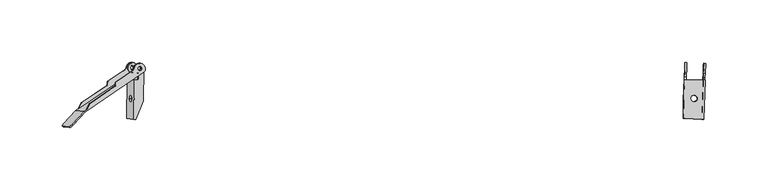
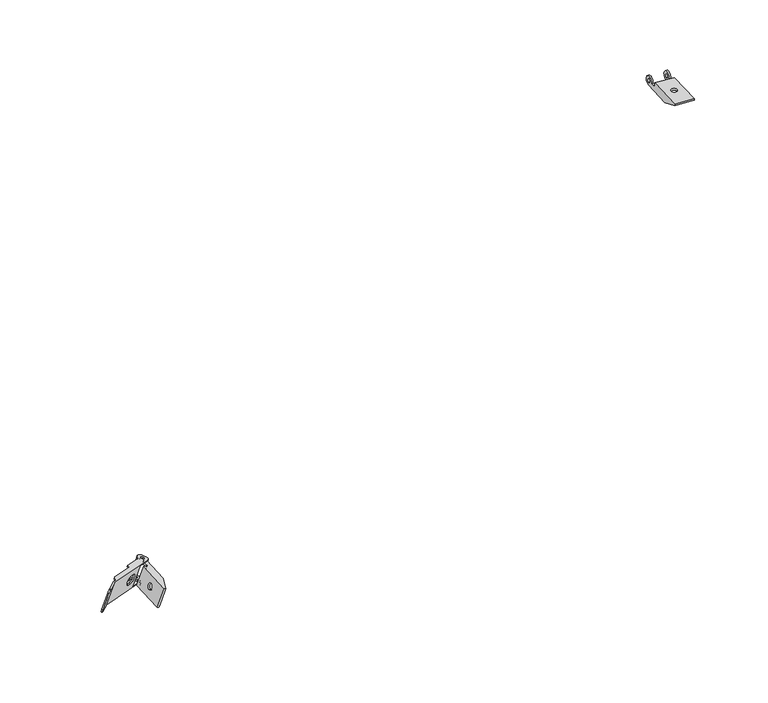
"""IFC4 building model written with IfcOpenShell, lengths in millimetres: proxy geometry."""

from ifc_helpers import new_model, si_unit, frame, origin, place, context, project, spatial, polyline, circle_curve, source, transform, mapped, element, save
from ifc_brep_helpers import plane_surface, cylinder_surface, revolved_surface, advanced_brep


def generic_models_2d8c8c23(model_context):
    return source(origin(), model_context, "Body", "AdvancedBrep", [
        advanced_brep(
        [(20.6310778, 15.0870928, 155.0329895), (19.2211305, 15.0870928, 155.5448963), (19.605429, 46.4893429, 156.6033713), (21.4853587, 46.4893429, 155.9208289), (23.3897486, 48.4880583, 155.3056571), (23.4325538, 51.9858101, 155.4235557), (27.2413336, 55.9832407, 154.1932122), (26.9237297, 30.030818, 153.3184344), (24.8914214, 55.9832407, 155.0463902), (22.0715268, 55.9832407, 156.0702039), (22.5831048, 55.9294855, 157.4792455), (25.4029994, 55.9294855, 156.4554318), (30.5187795, 55.3919336, 170.5458482), (30.0072015, 55.4456888, 169.1368065), (27.1873069, 55.4456888, 170.1606202), (27.6988849, 55.3919336, 171.5696618), (27.4353077, 29.9770628, 154.727476), (27.7529116, 55.9294855, 155.6022538), (23.9441318, 51.9320549, 156.8325974), (23.9013266, 48.4343031, 156.7146987), (21.9969367, 46.4355878, 157.3298705), (21.5269543, 46.4355878, 157.5005061), (21.1426559, 15.0333376, 156.4420311), (26.2584359, 14.4957857, 170.5324474), (25.7468579, 14.5495409, 169.1234058), (32.0395098, 29.4932661, 167.4088507), (32.5510878, 29.4395109, 168.8178924), (24.8484886, 14.4957857, 171.0443543), (26.1311564, 45.951791, 170.1818808), (22.7929743, 31.2929165, 160.9875108), (24.4982343, 31.1137326, 165.6843163), (26.6011388, 45.951791, 170.0112452), (28.5055287, 47.9505063, 169.3960734), (28.5483339, 51.4482581, 169.5139721), (32.3571136, 55.4456888, 168.2836285), (32.8686916, 55.3919336, 169.6926701), (29.0599119, 51.394503, 170.9230137), (29.0171067, 47.8967512, 170.805115), (27.1127168, 45.8980358, 171.4202868), (25.2327871, 45.8980358, 172.1028293), (23.088287, 31.1137326, 166.1962231), (21.383027, 31.2929165, 161.4994176)],
        [
            (0, 1),
            (1, 2),
            (2, 3),
            (3, 4, circle_curve(frame((21.5098189, 48.4880583, 155.9881995), z_axis=(0.3410520035583701, -0.03583679412656442, 0.9393610887489177), x_axis=(0.9399648697402947, 0.0, -0.34127121714863484)), 2.0)),
            (4, 5),
            (5, 6, circle_curve(frame((23.4814741, 55.9832407, 155.558297), z_axis=(-0.3410520035583701, 0.03583679412656442, -0.9393610887489177), x_axis=(-0.9399648697402947, 0.0, 0.34127121714863484)), 4.0)),
            (6, 7),
            (7, 0),
            (8, 9, circle_curve(frame((23.4814741, 55.9832407, 155.558297), z_axis=(0.3410520035583701, -0.03583679412656442, 0.9393610887489177), x_axis=(-0.9399648697402947, 0.0, 0.34127121714863484)), 1.5)),
            (9, 8, circle_curve(frame((23.4814741, 55.9832407, 155.558297), z_axis=(0.3410520035583701, -0.03583679412656442, 0.9393610887489177), x_axis=(-0.9399648697402947, 0.0, 0.34127121714863484)), 1.5)),
            (9, 10),
            (10, 11, circle_curve(frame((23.9930521, 55.9294855, 156.9673387), z_axis=(0.3410520035583701, -0.03583679412656442, 0.9393610887489177), x_axis=(-0.9399648697402947, 0.0, 0.34127121714863484)), 1.5)),
            (11, 8),
            (12, 13),
            (13, 14, circle_curve(frame((28.5972542, 55.4456888, 169.6487134), z_axis=(-0.3410520035583701, 0.03583679412656442, -0.9393610887489177), x_axis=(-0.9399648697402947, 0.0, 0.34127121714863484)), 1.5)),
            (14, 15),
            (15, 12, circle_curve(frame((29.1088322, 55.3919336, 171.057755), z_axis=(0.3410520035583701, -0.03583679412656442, 0.9393610887489177), x_axis=(-0.9399648697402947, 0.0, 0.34127121714863484)), 1.5)),
            (11, 10, circle_curve(frame((23.9930521, 55.9294855, 156.9673387), z_axis=(0.3410520035583701, -0.03583679412656442, 0.9393610887489177), x_axis=(-0.9399648697402947, 0.0, 0.34127121714863484)), 1.5)),
            (14, 13, circle_curve(frame((28.5972542, 55.4456888, 169.6487134), z_axis=(-0.3410520035583701, 0.03583679412656442, -0.9393610887489177), x_axis=(-0.9399648697402947, 0.0, 0.34127121714863484)), 1.5)),
            (12, 15, circle_curve(frame((29.1088322, 55.3919336, 171.057755), z_axis=(0.3410520035583701, -0.03583679412656442, 0.9393610887489177), x_axis=(-0.9399648697402947, 0.0, 0.34127121714863484)), 1.5)),
            (16, 17),
            (17, 18, circle_curve(frame((23.9930521, 55.9294855, 156.9673387), z_axis=(0.3410520035583701, -0.03583679412656442, 0.9393610887489177), x_axis=(-0.9399648697402947, 0.0, 0.34127121714863484)), 4.0)),
            (18, 19),
            (19, 20, circle_curve(frame((22.0213969, 48.4343031, 157.3972411), z_axis=(-0.3410520035583701, 0.03583679412656442, -0.9393610887489177), x_axis=(0.9399648697402947, 0.0, -0.34127121714863484)), 2.0)),
            (20, 21),
            (21, 22),
            (22, 16),
            (7, 16),
            (22, 0),
            (23, 24),
            (24, 25),
            (25, 26),
            (26, 23),
            (23, 27),
            (27, 1),
            (22, 24),
            (21, 28),
            (28, 24),
            (29, 30, circle_curve(frame((23.6456043, 31.2033246, 163.3359135), z_axis=(-0.9399648697402949, 0.0, 0.3412712171486346), x_axis=(0.3410520035583699, -0.0358367941265644, 0.9393610887489177)), 2.5)),
            (30, 29, circle_curve(frame((23.6456043, 31.2033246, 163.3359135), z_axis=(-0.9399648697402949, 0.0, 0.3412712171486346), x_axis=(0.3410520035583699, -0.0358367941265644, 0.9393610887489177)), 2.5)),
            (28, 31),
            (31, 32, circle_curve(frame((26.6255989, 47.9505063, 170.0786158), z_axis=(0.3410520035583701, -0.03583679412656442, 0.9393610887489177), x_axis=(0.9399648697402947, 0.0, -0.34127121714863484)), 2.0)),
            (32, 33),
            (33, 34, circle_curve(frame((28.5972542, 55.4456888, 169.6487134), z_axis=(-0.3410520035583701, 0.03583679412656442, -0.9393610887489177), x_axis=(-0.9399648697402947, 0.0, 0.34127121714863484)), 4.0)),
            (34, 25),
            (34, 35),
            (35, 26),
            (35, 36, circle_curve(frame((29.1088322, 55.3919336, 171.057755), z_axis=(0.3410520035583701, -0.03583679412656442, 0.9393610887489177), x_axis=(-0.9399648697402947, 0.0, 0.34127121714863484)), 4.0)),
            (36, 37),
            (37, 38, circle_curve(frame((27.1371769, 47.8967512, 171.4876575), z_axis=(-0.3410520035583701, 0.03583679412656442, -0.9393610887489177), x_axis=(0.9399648697402947, 0.0, -0.34127121714863484)), 2.0)),
            (38, 39),
            (39, 27),
            (39, 2),
            (40, 41, circle_curve(frame((22.235657, 31.2033246, 163.8478204), z_axis=(0.9399648697402949, 0.0, -0.3412712171486346), x_axis=(0.3410520035583699, -0.0358367941265644, 0.9393610887489177)), 2.5)),
            (41, 40, circle_curve(frame((22.235657, 31.2033246, 163.8478204), z_axis=(0.9399648697402949, 0.0, -0.3412712171486346), x_axis=(0.3410520035583699, -0.0358367941265644, 0.9393610887489177)), 2.5)),
            (38, 31),
            (20, 3),
            (19, 4),
            (18, 5),
            (36, 33),
            (32, 37),
            (17, 6),
            (30, 40),
            (41, 29),
        ],
        [
            plane_surface(frame((17.1332162, 36.4957664, 157.1196961), z_axis=(-0.3410520035583702, 0.035836794126564424, -0.9393610887489177), x_axis=(-0.9399648697402948, 0.0, 0.3412712171486349))),
            revolved_surface(polyline([(22.583104846742636, 55.929485511401595, 157.47924550751327), (22.071526820492924, 55.983240704788834, 156.07020381679143)]), (29.1088322, 55.3919336, 171.057755), (0.34105200355837006, -0.03583679412656441, 0.9393610887489174)),
            revolved_surface(polyline([(27.69888490309418, 55.39193359919042, 171.5696618469438), (27.187306876844463, 55.44568879257766, 170.16062015622197)]), (29.1088322, 55.3919336, 171.057755), (0.34105200355837006, -0.03583679412656441, 0.9393610887489174)),
            plane_surface(frame((17.6447942, 36.4420112, 158.5287377), z_axis=(0.3410520035583702, -0.035836794126564424, 0.9393610887489177), x_axis=(-0.9399648697402948, 0.0, 0.3412712171486349))),
            plane_surface(frame((32.5510878, 29.4395109, 168.8178924), z_axis=(0.8571686231969299, -0.39839535087401956, -0.32640939908134814), x_axis=(-0.3859345569853799, -0.916513430664656, 0.10515535714266519))),
            plane_surface(frame((33.5145561, 13.3382573, 202.2388955), z_axis=(-0.012230066350277211, -0.9993576557903234, -0.03368532752308605), x_axis=(-0.34105200355836995, 0.03583679412656441, -0.9393610887489177))),
            plane_surface(frame((20.8930756, 36.4957664, 155.7546112), z_axis=(0.9399648697402949, 0.0, -0.3412712171486349), x_axis=(0.0122300663502772, 0.9993576557903233, 0.03368532752308601))),
            plane_surface(frame((22.2489962, 35.9582145, 171.2101124), z_axis=(-0.3410520035583702, 0.035836794126564424, -0.9393610887489177), x_axis=(-0.9399648697402948, 0.0, 0.3412712171486349))),
            plane_surface(frame((32.7219308, 43.3996417, 169.2884462), z_axis=(0.9399648697402949, 0.0, -0.3412712171486349), x_axis=(0.0122300663502772, 0.9993576557903233, 0.03368532752308601))),
            plane_surface(frame((22.7605742, 35.9044593, 172.619154), z_axis=(0.3410520035583702, -0.035836794126564424, 0.9393610887489177), x_axis=(-0.9399648697402948, 0.0, 0.3412712171486349))),
            plane_surface(frame((19.7705349, 59.9806713, 157.0581232), z_axis=(-0.9399648697402949, 0.0, 0.3412712171486349), x_axis=(-0.0122300663502772, -0.9993576557903233, -0.03368532752308601))),
            plane_surface(frame((20.117007, 46.4355878, 158.0124129), z_axis=(0.012230066350277211, 0.9993576557903234, 0.03368532752308605), x_axis=(0.34105200355836995, -0.03583679412656441, 0.9393610887489177))),
            revolved_surface(polyline([(23.389748563162858, 48.48805822724703, 155.30565709063575), (23.9013265670411, 48.43430303621053, 156.71469871973972)]), (48.9283536, 45.606995, 231.5071949), (-0.34105200355837006, 0.03583679412656441, -0.9393610887489174)),
            plane_surface(frame((28.9926465, 45.8980358, 170.7377444), z_axis=(-0.9399648697402949, 0.0, 0.3412712171486349), x_axis=(0.0122300663502772, 0.9993576557903233, 0.03368532752308601))),
            cylinder_surface(frame((50.9000089, 53.1021774, 231.0772924), z_axis=(-0.34105200355837006, 0.03583679412656441, -0.9393610887489174), x_axis=(-0.9399648697402947, 0.0, 0.34127121714863484)), 4.0),
            plane_surface(frame((27.0945728, 43.9909488, 153.7889882), z_axis=(0.9399648697402949, 0.0, -0.3412712171486349), x_axis=(0.0122300663502772, 0.9993576557903233, 0.03368532752308601))),
            revolved_surface(polyline([(28.505528601400353, 47.95050631693923, 169.3960733801747), (29.017106626427857, 47.89675112368042, 170.80511506753018)]), (48.9283536, 45.606995, 231.5071949), (-0.34105200355837006, 0.03583679412656441, -0.9393610887489174)),
            revolved_surface(polyline([(23.088286992713783, 31.113732614683588, 166.19622307993154), (24.49823431876474, 31.113732614683588, 165.68431624642423)]), (24.5855692, 31.2033246, 162.9946423), (-0.9399648697402949, 0.0, 0.3412712171486346)),
        ],
        [
            (0, [[1, 2, 3, 4, 5, 6, 7, 8], [9, 10]]),
            (1, [[11, 12, 13, -10]]),
            (2, [[14, 15, 16, 17]]),
            (1, [[-13, 18, -11, -9]]),
            (2, [[-16, 19, -14, 20]]),
            (3, [[21, 22, 23, 24, 25, 26, 27], [-18, -12]]),
            (4, [[28, -27, 29, -8]]),
            (4, [[30, 31, 32, 33]]),
            (5, [[34, 35, -1, -29, 36, -30]]),
            (6, [[-26, 37, 38, -36], [39, 40]]),
            (7, [[-38, 41, 42, 43, 44, 45, -31], [-19, -15]]),
            (8, [[-45, 46, 47, -32]]),
            (9, [[-47, 48, 49, 50, 51, 52, -34, -33], [-20, -17]]),
            (10, [[53, -2, -35, -52], [54, 55]]),
            (11, [[-53, -51, 56, -41, -37, -25, 57, -3]]),
            (12, [[-4, -57, -24, 58]]),
            (13, [[-58, -23, 59, -5]]),
            (13, [[60, -43, 61, -49]]),
            (14, [[-59, -22, 62, -6]]),
            (14, [[-46, -44, -60, -48]]),
            (15, [[-7, -62, -21, -28]]),
            (16, [[-42, -56, -50, -61]]),
            (17, [[63, -55, 64, -40]]),
            (17, [[-64, -54, -63, -39]]),
        ],
    ),
        advanced_brep(
        [(-17.0287162, 27.9509873, 167.3338492), (3.2148071, 41.8108396, 160.5128284), (3.6508245, 42.7324406, 160.3896836), (3.5495718, 44.2528311, 160.4844484), (3.9855893, 45.1744321, 160.3613037), (17.8188992, 54.6454926, 155.7001934), (19.2986145, 57.8685775, 155.2859173), (26.2633059, 58.3591841, 152.7759771), (26.8904116, 57.3115193, 152.5083264), (26.0105198, 53.1642562, 152.6695682), (-20.8934089, 21.051194, 168.4737673), (-30.4245316, 10.6111072, 171.5359223), (-31.1179865, 11.3260329, 171.8149682), (-21.6065629, 21.7445421, 168.7591421), (-19.5668075, 23.141073, 168.07185), (-17.3562532, 27.5720896, 167.4383124), (21.6921603, 55.2295213, 154.3162168), (24.0771059, 56.8623888, 153.5126135), (24.4181579, 56.8265521, 154.4519745), (22.0332123, 55.1936845, 155.2555779), (28.5132004, 54.5127854, 173.1034386), (28.1721484, 54.5486222, 172.1640775), (30.5570939, 56.1814898, 171.3604741), (30.8981459, 56.145653, 172.2998352), (-17.0152012, 27.5362528, 168.3776735), (-19.2257555, 23.1052362, 169.0112111), (15.5151233, 46.8907918, 157.305331), (16.0168078, 46.0526599, 157.0912104), (26.3515718, 53.1284194, 153.6089293), (27.2314636, 57.2756825, 153.4476875), (26.6043579, 58.3233473, 153.7153381), (19.6396665, 57.8327407, 156.2252784), (18.1599513, 54.6096558, 156.6395545), (4.3266413, 45.1385953, 161.3006648), (3.8906238, 44.2169943, 161.4238095), (3.9918765, 42.6966038, 161.3290447), (3.5558591, 41.7750028, 161.4521895), (-16.6876642, 27.9151505, 168.2732103), (-10.2076762, 27.2342514, 186.121071), (10.0358472, 41.0941037, 179.3000502), (9.6947952, 41.1299405, 178.3606891), (-10.5487282, 27.2700882, 185.1817099), (-10.8762652, 26.8911905, 185.2861731), (-10.5352132, 26.8553537, 186.2255342), (10.1308126, 42.0515415, 178.2375443), (10.0295599, 43.571932, 178.3323091), (10.4655773, 44.493533, 178.2091644), (24.2988873, 53.9645935, 173.5480541), (25.7786026, 57.1876784, 173.133778), (32.743294, 57.678285, 170.6238377), (33.3703997, 56.6306202, 170.3561871), (32.4905079, 52.4833571, 170.5174289), (22.1557439, 45.4075976, 173.99971), (21.6540593, 46.2457295, 174.2138306), (-13.0868195, 22.4601739, 185.9197107), (-12.7457675, 22.4243371, 186.8590717), (-14.7855228, 21.0278062, 187.5463638), (-24.2969465, 10.609297, 190.6021899), (-23.6034915, 9.8943713, 190.323144), (-14.0723689, 20.3344581, 187.2609891), (32.8315599, 52.4475203, 171.45679), (33.7114517, 56.5947834, 171.2955482), (33.084346, 57.6424482, 171.5631988), (26.1196546, 57.1518416, 174.0731391), (24.6399393, 53.9287567, 174.4874151), (10.8066293, 44.4576962, 179.1485254), (10.3706119, 43.5360952, 179.2716702), (10.4718646, 42.0157047, 179.1769054), (11.3622131, 41.5191624, 163.9309581), (8.1822858, 39.3420057, 165.0024293), (10.9107018, 39.0553113, 172.517318), (14.0906291, 41.2324681, 171.4458468), (13.5889446, 42.0705999, 171.6599674), (10.4090172, 39.8934432, 172.7314385), (7.6806012, 40.1801375, 165.2165498), (10.8605286, 42.3572943, 164.1450787), (-32.071661, 9.0531657, 175.2681667), (-27.2969329, 8.5514506, 188.4192219), (-26.6034779, 7.8365249, 188.140176), (-31.378206, 8.33824, 174.9891208)],
        [
            (0, 1),
            (1, 2, circle_curve(frame((2.7131225, 42.6489714, 160.7269489), z_axis=(0.34105200355836995, -0.035836794126564486, 0.9393610887489177), x_axis=(0.5016845629113799, -0.8381318527622796, -0.2141205191514495)), 1.0)),
            (2, 3),
            (3, 4, circle_curve(frame((4.4872738, 44.3363003, 160.1471831), z_axis=(-0.3410520035583702, 0.03583679412656437, -0.9393610887489177), x_axis=(-0.9377019951822664, -0.08346916705760438, 0.3372652759800607)), 1.0)),
            (4, 5),
            (5, 6),
            (6, 7, circle_curve(frame((22.8846331, 56.0459551, 153.9144151), z_axis=(-0.3410520035583701, 0.03583679412656431, -0.9393610887489175), x_axis=(-0.7949818426890243, -0.5442891892845219, 0.26786778123313304)), 4.25)),
            (7, 8),
            (8, 9, circle_curve(frame((24.5054661, 55.6786517, 153.3119298), z_axis=(-0.3410520035583701, 0.0358367941265643, -0.9393610887489177), x_axis=(0.7949818426890242, 0.5442891892845217, -0.26786778123313304)), 3.0)),
            (9, 10),
            (10, 11),
            (11, 12),
            (12, 13),
            (13, 14),
            (14, 15),
            (15, 0, circle_curve(frame((-16.5270317, 27.1128554, 167.1197287), z_axis=(-0.3410520035583701, 0.035836794126564514, -0.9393610887489177), x_axis=(-0.8292215695583074, 0.45923414199125345, 0.31858372747021235)), 1.0)),
            (16, 17, circle_curve(frame((22.8846331, 56.0459551, 153.9144151), z_axis=(0.3410520035583701, -0.0358367941265643, 0.9393610887489177), x_axis=(-0.7949818426890242, -0.5442891892845217, 0.26786778123313304)), 1.5)),
            (17, 16, circle_curve(frame((22.8846331, 56.0459551, 153.9144151), z_axis=(0.3410520035583701, -0.0358367941265643, 0.9393610887489177), x_axis=(-0.7949818426890242, -0.5442891892845217, 0.26786778123313304)), 1.5)),
            (17, 18),
            (18, 19, circle_curve(frame((23.2256851, 56.0101183, 154.8537762), z_axis=(0.3410520035583701, -0.0358367941265643, 0.9393610887489177), x_axis=(-0.7949818426890242, -0.5442891892845217, 0.26786778123313304)), 1.5)),
            (19, 16),
            (20, 21),
            (21, 22, circle_curve(frame((29.3646212, 55.365056, 171.7622758), z_axis=(-0.3410520035583701, 0.0358367941265643, -0.9393610887489177), x_axis=(-0.7949818426890242, -0.5442891892845217, 0.26786778123313304)), 1.5)),
            (22, 23),
            (23, 20, circle_curve(frame((29.7056732, 55.3292192, 172.7016369), z_axis=(0.3410520035583701, -0.0358367941265643, 0.9393610887489177), x_axis=(-0.7949818426890242, -0.5442891892845217, 0.26786778123313304)), 1.5)),
            (19, 18, circle_curve(frame((23.2256851, 56.0101183, 154.8537762), z_axis=(0.3410520035583701, -0.0358367941265643, 0.9393610887489177), x_axis=(-0.7949818426890242, -0.5442891892845217, 0.26786778123313304)), 1.5)),
            (22, 21, circle_curve(frame((29.3646212, 55.365056, 171.7622758), z_axis=(-0.3410520035583701, 0.0358367941265643, -0.9393610887489177), x_axis=(-0.7949818426890242, -0.5442891892845217, 0.26786778123313304)), 1.5)),
            (20, 23, circle_curve(frame((29.7056732, 55.3292192, 172.7016369), z_axis=(0.3410520035583701, -0.0358367941265643, 0.9393610887489177), x_axis=(-0.7949818426890242, -0.5442891892845217, 0.26786778123313304)), 1.5)),
            (24, 25),
            (25, 26),
            (26, 27),
            (27, 28),
            (28, 29, circle_curve(frame((24.8465181, 55.6428149, 154.2512908), z_axis=(0.3410520035583701, -0.0358367941265643, 0.9393610887489177), x_axis=(0.7949818426890242, 0.5442891892845217, -0.26786778123313304)), 3.0)),
            (29, 30),
            (30, 31, circle_curve(frame((23.2256851, 56.0101183, 154.8537762), z_axis=(0.3410520035583701, -0.03583679412656431, 0.9393610887489175), x_axis=(-0.7949818426890243, -0.5442891892845219, 0.26786778123313304)), 4.25)),
            (31, 32),
            (32, 33),
            (33, 34, circle_curve(frame((4.8283258, 44.3004635, 161.0865442), z_axis=(0.3410520035583702, -0.03583679412656437, 0.9393610887489177), x_axis=(-0.9377019951822664, -0.08346916705760438, 0.3372652759800607)), 1.0)),
            (34, 35),
            (35, 36, circle_curve(frame((3.0541745, 42.6131346, 161.66631), z_axis=(-0.34105200355836995, 0.035836794126564486, -0.9393610887489177), x_axis=(0.5016845629113799, -0.8381318527622796, -0.2141205191514495)), 1.0)),
            (36, 37),
            (37, 24, circle_curve(frame((-16.1859797, 27.0770186, 168.0590898), z_axis=(0.3410520035583701, -0.035836794126564514, 0.9393610887489177), x_axis=(-0.8292215695583074, 0.45923414199125345, 0.31858372747021235)), 1.0)),
            (15, 24),
            (37, 0),
            (38, 39),
            (39, 40),
            (40, 41),
            (41, 38),
            (36, 1),
            (42, 43),
            (43, 38, circle_curve(frame((-9.7059916, 26.3961196, 185.9069504), z_axis=(-0.3410520035583701, 0.035836794126564514, -0.9393610887489177), x_axis=(-0.8292215695583074, 0.45923414199125345, 0.31858372747021235)), 1.0)),
            (41, 42, circle_curve(frame((-10.0470436, 26.4319563, 184.9675893), z_axis=(0.3410520035583701, -0.035836794126564514, 0.9393610887489177), x_axis=(-0.8292215695583074, 0.45923414199125345, 0.31858372747021235)), 1.0)),
            (40, 44, circle_curve(frame((9.1931106, 41.9680723, 178.5748096), z_axis=(0.34105200355836995, -0.035836794126564486, 0.9393610887489177), x_axis=(0.5016845629113799, -0.8381318527622796, -0.2141205191514495)), 1.0)),
            (44, 45),
            (45, 46, circle_curve(frame((10.9672619, 43.6554012, 177.9950438), z_axis=(-0.3410520035583702, 0.03583679412656437, -0.9393610887489177), x_axis=(-0.9377019951822664, -0.08346916705760438, 0.3372652759800607)), 1.0)),
            (46, 47),
            (47, 48),
            (48, 49, circle_curve(frame((29.3646212, 55.365056, 171.7622758), z_axis=(-0.3410520035583701, 0.03583679412656431, -0.9393610887489175), x_axis=(-0.7949818426890243, -0.5442891892845219, 0.26786778123313304)), 4.25)),
            (49, 50),
            (50, 51, circle_curve(frame((30.9854542, 54.9977526, 171.1597904), z_axis=(-0.3410520035583701, 0.0358367941265643, -0.9393610887489177), x_axis=(0.7949818426890242, 0.5442891892845217, -0.26786778123313304)), 3.0)),
            (51, 52),
            (52, 53),
            (53, 54),
            (54, 42),
            (54, 55),
            (55, 43),
            (14, 25),
            (55, 56),
            (56, 57),
            (57, 58),
            (58, 59),
            (59, 60),
            (60, 61, circle_curve(frame((31.3265062, 54.9619159, 172.0991515), z_axis=(0.3410520035583701, -0.0358367941265643, 0.9393610887489177), x_axis=(0.7949818426890242, 0.5442891892845217, -0.26786778123313304)), 3.0)),
            (61, 62),
            (62, 63, circle_curve(frame((29.7056732, 55.3292192, 172.7016369), z_axis=(0.3410520035583701, -0.03583679412656431, 0.9393610887489175), x_axis=(-0.7949818426890243, -0.5442891892845219, 0.26786778123313304)), 4.25)),
            (63, 64),
            (64, 65),
            (65, 66, circle_curve(frame((11.3083139, 43.6195644, 178.9344049), z_axis=(0.3410520035583702, -0.03583679412656437, 0.9393610887489177), x_axis=(-0.9377019951822664, -0.08346916705760438, 0.3372652759800607)), 1.0)),
            (66, 67),
            (67, 39, circle_curve(frame((9.5341626, 41.9322355, 179.5141707), z_axis=(-0.34105200355836995, 0.035836794126564486, -0.9393610887489177), x_axis=(0.5016845629113799, -0.8381318527622796, -0.2141205191514495)), 1.0)),
            (67, 44),
            (66, 45),
            (2, 35),
            (34, 3),
            (65, 46),
            (64, 47),
            (32, 5),
            (4, 33),
            (31, 6),
            (63, 48),
            (30, 7),
            (62, 49),
            (61, 50),
            (29, 8),
            (60, 51),
            (59, 10),
            (9, 28),
            (27, 52),
            (68, 69),
            (69, 70, circle_curve(frame((9.5464938, 39.1986585, 168.7598736), z_axis=(-0.5016845629113826, 0.8381318527622779, 0.21412051915145044), x_axis=(-0.7949818426890242, -0.5442891892845216, 0.267867781233133)), 4.0)),
            (70, 71),
            (71, 68, circle_curve(frame((12.7264211, 41.3758153, 167.6884025), z_axis=(-0.5016845629113826, 0.8381318527622778, 0.2141205191514505), x_axis=(0.7949818426890242, 0.5442891892845217, -0.2678677812331331)), 4.0)),
            (26, 53),
            (13, 56),
            (72, 73),
            (73, 74, circle_curve(frame((9.0448092, 40.0367904, 168.9739941), z_axis=(0.5016845629113826, -0.8381318527622779, -0.21412051915145044), x_axis=(-0.7949818426890242, -0.5442891892845216, 0.267867781233133)), 4.0)),
            (74, 75),
            (75, 72, circle_curve(frame((12.2247366, 42.2139471, 167.902523), z_axis=(0.5016845629113826, -0.8381318527622778, -0.2141205191514505), x_axis=(0.7949818426890242, 0.5442891892845217, -0.2678677812331331)), 4.0)),
            (12, 76, circle_curve(frame((-30.0948305, 11.2185225, 174.6330514), z_axis=(-0.6704304781992656, 0.6911883015382875, 0.26978084757469667), x_axis=(-0.34105200355836984, 0.03583679412656441, -0.9393610887489177)), 3.0)),
            (76, 77),
            (77, 57, circle_curve(frame((-25.3201025, 10.7168074, 187.7841067), z_axis=(-0.6704304781992656, 0.6911883015382875, 0.26978084757469667), x_axis=(0.34105200355836984, -0.03583679412656441, 0.9393610887489177)), 3.0)),
            (77, 78),
            (78, 58, circle_curve(frame((-24.6266475, 10.0018817, 187.5050608), z_axis=(-0.6704304781992656, 0.6911883015382875, 0.26978084757469667), x_axis=(0.34105200355836984, -0.03583679412656441, 0.9393610887489177)), 3.0)),
            (78, 79),
            (79, 11, circle_curve(frame((-29.4013756, 10.5035968, 174.3540055), z_axis=(0.6704304781992656, -0.6911883015382875, -0.26978084757469667), x_axis=(-0.34105200355836984, 0.03583679412656441, -0.9393610887489177)), 3.0)),
            (79, 76),
            (75, 68),
            (71, 72),
            (70, 73),
            (69, 74),
        ],
        [
            plane_surface(frame((-8.5711904, 29.4876764, 164.3218167), z_axis=(-0.3410520035583701, 0.035836794126564264, -0.9393610887489177), x_axis=(-0.7949818426890243, -0.5442891892845217, 0.26786778123313304))),
            revolved_surface(polyline([(21.692160335966463, 55.22952131607322, 154.31621677184972), (22.033212347818733, 55.193684521075156, 155.25557788344256)]), (22.8846331, 56.0459551, 153.9144151), (-0.34105200355837006, 0.03583679412656429, -0.9393610887489174)),
            revolved_surface(polyline([(28.17214839523336, 54.548622228545064, 172.16407743510237), (28.51320042374878, 54.51278543179608, 173.1034385925906)]), (22.8846331, 56.0459551, 153.9144151), (-0.34105200355837006, 0.03583679412656429, -0.9393610887489174)),
            plane_surface(frame((32.8744616, 69.3810504, 151.8607172), z_axis=(0.34105200355836995, -0.03583679412656446, 0.9393610887489175), x_axis=(0.5016845629113826, -0.8381318527622776, -0.21412051915145042))),
            cylinder_surface(frame((-0.8140838, 25.4617827, 210.3979727), z_axis=(-0.3410520035583701, 0.035836794126564514, -0.9393610887489177), x_axis=(-0.8292215695583074, 0.45923414199125345, 0.31858372747021235)), 1.0),
            plane_surface(frame((3.6905099, 42.1365324, 160.3525411), z_axis=(-0.5016845629113826, 0.8381318527622778, 0.21412051915145044), x_axis=(-0.7949818426890243, -0.5442891892845217, 0.26786778123313304))),
            plane_surface(frame((43.51606, 61.2136822, 166.8474666), z_axis=(-0.34105200355836995, 0.03583679412656446, -0.9393610887489175), x_axis=(-0.5016845629113826, 0.8381318527622776, 0.21412051915145042))),
            plane_surface(frame((-17.2390806, 27.80696, 167.4047311), z_axis=(-0.8292215695583078, 0.4592341419912529, 0.31858372747021246), x_axis=(-0.4428037030650017, -0.8875920949491879, 0.12690608155495817))),
            plane_surface(frame((-1.7501503, 28.7709406, 183.1090385), z_axis=(0.3410520035583701, -0.035836794126564264, 0.9393610887489177), x_axis=(-0.7949818426890243, -0.5442891892845217, 0.26786778123313304))),
            revolved_surface(polyline([(10.03584718612856, 41.09410366663349, 179.30005020376333), (9.694795161965532, 41.12994046292513, 178.36068905826292)]), (-6.1787853, 43.5833083, 136.2359266), (0.34105200355836995, -0.035836794126564486, 0.9393610887489177)),
            plane_surface(frame((3.5098864, 44.8487393, 160.5215909), z_axis=(-0.9377019951822666, -0.08346916705760346, 0.3372652759800608), x_axis=(0.0663211813828593, -0.9958657652201125, -0.06207156001375952))),
            cylinder_surface(frame((20.2002217, 42.6852275, 203.4254272), z_axis=(-0.3410520035583701, 0.03583679412656436, -0.9393610887489174), x_axis=(-0.9377019951822664, -0.08346916705760438, 0.3372652759800607)), 1.0),
            plane_surface(frame((17.8188992, 54.6454926, 155.7001934), z_axis=(-0.5016845629113826, 0.8381318527622778, 0.21412051915145044), x_axis=(-0.7949818426890243, -0.5442891892845217, 0.26786778123313304))),
            plane_surface(frame((19.2986145, 57.8685775, 155.2859173), z_axis=(-0.8437690765357648, 0.42885234107541875, 0.32270639137785195), x_axis=(-0.41441196453626206, -0.9026634997278127, 0.11602297146829552))),
            cylinder_surface(frame((22.8846331, 56.0459551, 153.9144151), z_axis=(0.3410520035583702, -0.03583679412656432, 0.9393610887489178), x_axis=(-0.7949818426890243, -0.5442891892845219, 0.26786778123313304)), 4.25),
            plane_surface(frame((28.3954653, 54.7971237, 151.8659649), z_axis=(0.7949818426890243, 0.5442891892845217, -0.267867781233133), x_axis=(-0.5016845629113826, 0.8381318527622776, 0.21412051915145042))),
            cylinder_surface(frame((40.218414, 54.027579, 196.5901738), z_axis=(-0.34105200355837006, 0.03583679412656429, -0.9393610887489174), x_axis=(0.7949818426890242, 0.5442891892845217, -0.26786778123313304)), 3.0),
            plane_surface(frame((-20.8934089, 21.051194, 168.4737673), z_axis=(0.5016845629113826, -0.8381318527622778, -0.21412051915145044), x_axis=(0.7949818426890243, 0.5442891892845217, -0.26786778123313304))),
            plane_surface(frame((22.1557439, 45.4075976, 173.99971), z_axis=(0.7949818426890243, 0.544289189284522, -0.2678677812331329), x_axis=(-0.34105200355836995, 0.03583679412656441, -0.9393610887489177))),
            plane_surface(frame((16.764035, 48.0152069, 155.8302343), z_axis=(-0.5016845629113826, 0.8381318527622778, 0.21412051915145044), x_axis=(-0.7949818426890243, -0.5442891892845217, 0.26786778123313304))),
            plane_surface(frame((-21.6065629, 21.7445421, 168.7591421), z_axis=(-0.6704304781992676, 0.691188301538285, 0.26978084757469745), x_axis=(-0.6589434761573429, -0.7217856025187472, 0.21170507605233774))),
            cylinder_surface(frame((-32.0862996, 17.692499, 190.5068206), z_axis=(0.6704304781992657, -0.6911883015382876, -0.2697808475746967), x_axis=(0.34105200355836984, -0.03583679412656441, 0.9393610887489177)), 3.0),
            plane_surface(frame((-32.401362, 8.4457504, 172.1710375), z_axis=(0.6704304781992678, -0.6911883015382849, -0.26978084757469756), x_axis=(0.6589434761573428, 0.7217856025187475, -0.2117050760523376))),
            cylinder_surface(frame((-24.438929, 5.3875033, 172.3571198), z_axis=(-0.6704304781992657, 0.6911883015382876, 0.2697808475746967), x_axis=(-0.34105200355836984, 0.03583679412656441, -0.9393610887489177)), 3.0),
            plane_surface(frame((-33.094817, 9.1606761, 172.4500834), z_axis=(-0.6589434761573452, -0.7217856025187454, 0.2117050760523386), x_axis=(0.6704304781992656, -0.6911883015382873, -0.26978084757469684))),
            revolved_surface(polyline([(15.906348511342076, 43.55297198933372, 166.61693135774524), (15.404663935717453, 44.39110386333518, 166.83105188232273)]), (12.7264211, 41.3758153, 167.6884025), (0.5016845629113825, -0.8381318527622775, -0.21412051915145044)),
            plane_surface(frame((14.0906291, 41.2324681, 171.4458468), z_axis=(-0.3410520035583701, 0.035836794126564264, -0.9393610887489177), x_axis=(-0.7949818426890243, -0.5442891892845217, 0.26786778123313304))),
            revolved_surface(polyline([(6.3665664307057055, 37.02150174041978, 169.83134472430862), (5.864881839192635, 37.859633640965036, 170.04546525566738)]), (9.5464938, 39.1986585, 168.7598736), (0.5016845629113824, -0.8381318527622775, -0.21412051915145036)),
            plane_surface(frame((8.1822858, 39.3420057, 165.0024293), z_axis=(0.3410520035583701, -0.035836794126564264, 0.9393610887489177), x_axis=(0.7949818426890243, 0.5442891892845217, -0.26786778123313304))),
            revolved_surface(polyline([(3.555859110198522, 41.77500275591256, 161.4521894946153), (3.214807086035494, 41.8108395522042, 160.5128283491149)]), (-6.1787853, 43.5833083, 136.2359266), (0.34105200355836995, -0.035836794126564486, 0.9393610887489177)),
        ],
        [
            (0, [[1, 2, 3, 4, 5, 6, 7, 8, 9, 10, 11, 12, 13, 14, 15, 16], [17, 18]]),
            (1, [[19, 20, 21, -18]]),
            (2, [[22, 23, 24, 25]]),
            (1, [[-21, 26, -19, -17]]),
            (2, [[-24, 27, -22, 28]]),
            (3, [[29, 30, 31, 32, 33, 34, 35, 36, 37, 38, 39, 40, 41, 42], [-26, -20]]),
            (4, [[43, -42, 44, -16]]),
            (5, [[45, 46, 47, 48]]),
            (5, [[-41, 49, -1, -44]]),
            (4, [[50, 51, -48, 52]]),
            (6, [[-47, 53, 54, 55, 56, 57, 58, 59, 60, 61, 62, 63, 64, -52], [-27, -23]]),
            (7, [[-64, 65, 66, -50]]),
            (7, [[-15, 67, -29, -43]]),
            (8, [[-66, 68, 69, 70, 71, 72, 73, 74, 75, 76, 77, 78, 79, 80, -45, -51], [-28, -25]]),
            (9, [[-80, 81, -53, -46]]),
            (10, [[-54, -81, -79, 82]]),
            (10, [[-3, 83, -39, 84]]),
            (11, [[-82, -78, 85, -55]]),
            (12, [[-77, 86, -56, -85]]),
            (12, [[-37, 87, -5, 88]]),
            (13, [[89, -6, -87, -36]]),
            (13, [[-86, -76, 90, -57]]),
            (14, [[91, -7, -89, -35]]),
            (14, [[-90, -75, 92, -58]]),
            (15, [[-59, -92, -74, 93]]),
            (15, [[-8, -91, -34, 94]]),
            (16, [[-93, -73, 95, -60]]),
            (17, [[-72, 96, -10, 97, -32, 98, -61, -95], [99, 100, 101, 102]]),
            (18, [[-62, -98, -31, 103]]),
            (19, [[-30, -67, -14, 104, -68, -65, -63, -103], [105, 106, 107, 108]]),
            (20, [[-69, -104, -13, 109, 110, 111]]),
            (21, [[-70, -111, 112, 113]]),
            (22, [[114, 115, -11, -96, -71, -113]]),
            (23, [[-12, -115, 116, -109]]),
            (24, [[-110, -116, -114, -112]]),
            (25, [[117, -102, 118, -108]]),
            (26, [[-118, -101, 119, -105]]),
            (27, [[-119, -100, 120, -106]]),
            (28, [[-120, -99, -117, -107]]),
            (16, [[-94, -33, -97, -9]]),
            (11, [[-84, -38, -88, -4]]),
            (29, [[-40, -83, -2, -49]]),
        ],
    ),
        advanced_brep(
        [(464.7628411, 15.0870928, 456.2619397), (464.8139957, 15.0870928, 457.7610672), (465.93942, 46.4893429, 457.7226644), (465.8712138, 46.4893429, 455.7238278), (465.8746395, 48.4880583, 453.7225469), (465.9999953, 51.9858101, 453.7182694), (466.0068468, 55.9832407, 449.7157075), (465.0767387, 30.030818, 449.7474455), (466.0921045, 55.9832407, 452.2142533), (466.1944138, 55.9832407, 455.2125083), (467.6925783, 55.9294855, 455.1613865), (467.590269, 55.9294855, 452.1631315), (482.5719143, 55.3919336, 451.6519137), (481.0737497, 55.4456888, 451.7030354), (481.176059, 55.4456888, 454.7012904), (482.6742236, 55.3919336, 454.6501686), (466.5749032, 29.9770628, 449.6963237), (467.5050113, 55.9294855, 449.6645857), (467.4981599, 51.9320549, 453.6671476), (467.3728041, 48.4343031, 453.6714251), (467.3693783, 46.4355878, 455.672706), (467.3864299, 46.4355878, 456.1724152), (466.2610056, 15.0333376, 456.210818), (481.2426509, 14.4957857, 455.6996001), (479.7444863, 14.5495409, 455.7507219), (480.0583839, 29.4932661, 449.2362277), (481.5565484, 29.4395109, 449.1851059), (481.2938055, 14.4957857, 457.1987276), (480.8699106, 45.951791, 455.7123191), (471.0939902, 31.2929165, 456.0459023), (476.0878719, 31.1137326, 455.8754963), (480.8528591, 45.951791, 455.2126099), (480.8562848, 47.9505063, 453.211329), (480.9816406, 51.4482581, 453.2070515), (480.988492, 55.4456888, 449.2044896), (482.4866565, 55.3919336, 449.1533679), (482.4798051, 51.394503, 453.1559297), (482.3544493, 47.8967512, 453.1602072), (482.3510236, 45.8980358, 455.1614882), (482.4192298, 45.8980358, 457.1603248), (476.1390265, 31.1137326, 457.3746238), (471.1451448, 31.2929165, 457.5450298)],
        [
            (0, 1),
            (1, 2),
            (2, 3),
            (3, 4, circle_curve(frame((465.9428457, 48.4880583, 455.7213835), z_axis=(0.9987763496739296, -0.0358367941265644, -0.03408119010173698), x_axis=(-0.03410309602800259, 0.0, -0.9994183202449838)), 2.0)),
            (4, 5),
            (5, 6, circle_curve(frame((466.1432591, 55.9832407, 453.7133808), z_axis=(-0.9987763496739296, 0.0358367941265644, 0.03408119010173698), x_axis=(0.03410309602800259, 0.0, 0.9994183202449838)), 4.0)),
            (6, 7),
            (7, 0),
            (8, 9, circle_curve(frame((466.1432591, 55.9832407, 453.7133808), z_axis=(0.9987763496739296, -0.0358367941265644, -0.03408119010173699), x_axis=(0.03410309602800261, 0.0, 0.9994183202449838)), 1.5)),
            (9, 8, circle_curve(frame((466.1432591, 55.9832407, 453.7133808), z_axis=(0.9987763496739296, -0.0358367941265644, -0.03408119010173699), x_axis=(0.03410309602800261, 0.0, 0.9994183202449838)), 1.5)),
            (9, 10),
            (10, 11, circle_curve(frame((467.6414237, 55.9294855, 453.662259), z_axis=(0.9987763496739296, -0.0358367941265644, -0.03408119010173699), x_axis=(0.03410309602800261, 0.0, 0.9994183202449838)), 1.5)),
            (11, 8),
            (12, 13),
            (13, 14, circle_curve(frame((481.1249044, 55.4456888, 453.2021629), z_axis=(-0.9987763496739296, 0.0358367941265644, 0.03408119010173699), x_axis=(0.03410309602800261, 0.0, 0.9994183202449838)), 1.5)),
            (14, 15),
            (15, 12, circle_curve(frame((482.6230689, 55.3919336, 453.1510411), z_axis=(0.9987763496739296, -0.0358367941265644, -0.03408119010173699), x_axis=(0.03410309602800261, 0.0, 0.9994183202449838)), 1.5)),
            (11, 10, circle_curve(frame((467.6414237, 55.9294855, 453.662259), z_axis=(0.9987763496739296, -0.0358367941265644, -0.03408119010173699), x_axis=(0.03410309602800261, 0.0, 0.9994183202449838)), 1.5)),
            (14, 13, circle_curve(frame((481.1249044, 55.4456888, 453.2021629), z_axis=(-0.9987763496739296, 0.0358367941265644, 0.03408119010173699), x_axis=(0.03410309602800261, 0.0, 0.9994183202449838)), 1.5)),
            (12, 15, circle_curve(frame((482.6230689, 55.3919336, 453.1510411), z_axis=(0.9987763496739296, -0.0358367941265644, -0.03408119010173699), x_axis=(0.03410309602800261, 0.0, 0.9994183202449838)), 1.5)),
            (16, 17),
            (17, 18, circle_curve(frame((467.6414237, 55.9294855, 453.662259), z_axis=(0.9987763496739296, -0.0358367941265644, -0.03408119010173698), x_axis=(0.03410309602800259, 0.0, 0.9994183202449838)), 4.0)),
            (18, 19),
            (19, 20, circle_curve(frame((467.4410102, 48.4343031, 455.6702617), z_axis=(-0.9987763496739296, 0.0358367941265644, 0.03408119010173698), x_axis=(-0.03410309602800259, 0.0, -0.9994183202449838)), 2.0)),
            (20, 21),
            (21, 22),
            (22, 16),
            (7, 16),
            (22, 0),
            (23, 24),
            (24, 25),
            (25, 26),
            (26, 23),
            (23, 27),
            (27, 1),
            (22, 24),
            (21, 28),
            (28, 24),
            (29, 30, circle_curve(frame((473.590931, 31.2033246, 455.9606993), z_axis=(0.034103096028002336, 0.0, 0.9994183202449839), x_axis=(0.9987763496739295, -0.035836794126564396, -0.03408119010173671)), 2.5)),
            (30, 29, circle_curve(frame((473.590931, 31.2033246, 455.9606993), z_axis=(0.034103096028002336, 0.0, 0.9994183202449839), x_axis=(0.9987763496739295, -0.035836794126564396, -0.03408119010173671)), 2.5)),
            (28, 31),
            (31, 32, circle_curve(frame((480.924491, 47.9505063, 455.2101657), z_axis=(0.9987763496739296, -0.0358367941265644, -0.03408119010173698), x_axis=(-0.03410309602800259, 0.0, -0.9994183202449838)), 2.0)),
            (32, 33),
            (33, 34, circle_curve(frame((481.1249044, 55.4456888, 453.2021629), z_axis=(-0.9987763496739296, 0.0358367941265644, 0.03408119010173698), x_axis=(0.03410309602800259, 0.0, 0.9994183202449838)), 4.0)),
            (34, 25),
            (34, 35),
            (35, 26),
            (35, 36, circle_curve(frame((482.6230689, 55.3919336, 453.1510411), z_axis=(0.9987763496739296, -0.0358367941265644, -0.03408119010173698), x_axis=(0.03410309602800259, 0.0, 0.9994183202449838)), 4.0)),
            (36, 37),
            (37, 38, circle_curve(frame((482.4226555, 47.8967512, 455.1590439), z_axis=(-0.9987763496739296, 0.0358367941265644, 0.03408119010173698), x_axis=(-0.03410309602800259, 0.0, -0.9994183202449838)), 2.0)),
            (38, 39),
            (39, 27),
            (39, 2),
            (40, 41, circle_curve(frame((473.6420857, 31.2033246, 457.4598268), z_axis=(-0.034103096028002336, 0.0, -0.9994183202449839), x_axis=(0.9987763496739295, -0.035836794126564396, -0.03408119010173671)), 2.5)),
            (41, 40, circle_curve(frame((473.6420857, 31.2033246, 457.4598268), z_axis=(-0.034103096028002336, 0.0, -0.9994183202449839), x_axis=(0.9987763496739295, -0.035836794126564396, -0.03408119010173671)), 2.5)),
            (38, 31),
            (20, 3),
            (19, 4),
            (18, 5),
            (36, 33),
            (32, 37),
            (17, 6),
            (30, 40),
            (41, 29),
        ],
        [
            plane_surface(frame((465.6665183, 36.4957664, 460.2334317), z_axis=(-0.9987763496739296, 0.0358367941265644, 0.03408119010173698), x_axis=(0.03410309602800259, 0.0, 0.9994183202449838))),
            revolved_surface(polyline([(467.6925783427076, 55.92948551032781, 455.1613864303998), (466.19441374207145, 55.983240704249084, 455.21250821815)]), (482.6230689, 55.3919336, 453.1510411), (0.9987763496739296, -0.0358367941265644, -0.03408119010173699)),
            revolved_surface(polyline([(482.6742235991949, 55.391933598021076, 454.6501685784855), (481.1760589880085, 55.4456887923209, 454.7012903665957)]), (482.6230689, 55.3919336, 453.1510411), (0.9987763496739296, -0.0358367941265644, -0.03408119010173699)),
            plane_surface(frame((467.1646828, 36.4420112, 460.1823099), z_axis=(0.9987763496739296, -0.0358367941265644, -0.03408119010173698), x_axis=(0.03410309602800259, 0.0, 0.9994183202449838))),
            plane_surface(frame((481.5565484, 29.4395109, 449.1851059), z_axis=(-0.04555411436347432, -0.3983953508740196, -0.9160818560950361), x_axis=(-0.01925164919117311, -0.916513430664656, 0.3995403676910794))),
            plane_surface(frame((513.6395393, 13.3382573, 458.596451), z_axis=(-0.03581594858893631, -0.9993576557903233, 0.0012221456314334838), x_axis=(-0.9987763496739296, 0.0358367941265644, 0.03408119010173672))),
            plane_surface(frame((465.5301059, 36.4957664, 456.2357584), z_axis=(-0.03410309602800261, 0.0, -0.9994183202449839), x_axis=(0.03581594858893628, 0.9993576557903233, -0.0012221456314334828))),
            plane_surface(frame((480.6481635, 35.9582145, 459.7222138), z_axis=(-0.9987763496739296, 0.0358367941265644, 0.03408119010173698), x_axis=(0.03410309602800259, 0.0, 0.9994183202449838))),
            plane_surface(frame((482.0568651, 43.3996417, 449.1680336), z_axis=(-0.03410309602800261, 0.0, -0.9994183202449839), x_axis=(0.03581594858893628, 0.9993576557903233, -0.0012221456314334828))),
            plane_surface(frame((482.146328, 35.9044593, 459.6710921), z_axis=(0.9987763496739296, -0.0358367941265644, -0.03408119010173698), x_axis=(0.03410309602800259, 0.0, 0.9994183202449838))),
            plane_surface(frame((466.4229353, 59.9806713, 457.7061655), z_axis=(0.03410309602800261, 0.0, 0.9994183202449839), x_axis=(-0.03581594858893628, -0.9993576557903233, 0.0012221456314334828))),
            plane_surface(frame((467.4375845, 46.4355878, 457.6715427), z_axis=(0.03581594858893631, 0.9993576557903233, -0.0012221456314334838), x_axis=(0.9987763496739296, -0.0358367941265644, -0.03408119010173672))),
            revolved_surface(polyline([(465.8746394960363, 48.4880582290283, 453.7225468584675), (467.3728040966724, 48.43430303510702, 453.6714250707173)]), (546.2384716, 45.606995, 452.9814603), (-0.9987763496739296, 0.0358367941265644, 0.03408119010173698)),
            plane_surface(frame((482.2828174, 45.8980358, 453.1626515), z_axis=(0.03410309602800261, 0.0, 0.9994183202449839), x_axis=(0.03581594858893628, 0.9993576557903233, -0.0012221456314334828))),
            cylinder_surface(frame((546.438885, 53.1021774, 450.9734576), z_axis=(-0.9987763496739296, 0.0358367941265644, 0.03408119010173698), x_axis=(0.03410309602800259, 0.0, 0.9994183202449838)), 4.0),
            plane_surface(frame((465.5770554, 43.9909488, 449.7303732), z_axis=(-0.03410309602800261, 0.0, -0.9994183202449839), x_axis=(0.03581594858893628, 0.9993576557903233, -0.0012221456314334828))),
            revolved_surface(polyline([(480.8562848007055, 47.950506314992765, 453.2113290049091), (482.35444930395795, 47.89675112456569, 453.1602072204819)]), (546.2384716, 45.606995, 452.9814603), (-0.9987763496739296, 0.0358367941265644, 0.03408119010173698)),
            revolved_surface(polyline([(476.139026515117, 31.113732614683588, 457.374623850626), (476.087871868714, 31.113732614683588, 455.8754963010676)]), (473.5568279, 31.2033246, 454.961281), (0.03410309602800233, 0.0, 0.9994183202449837)),
        ],
        [
            (0, [[1, 2, 3, 4, 5, 6, 7, 8], [9, 10]]),
            (1, [[11, 12, 13, -10]]),
            (2, [[14, 15, 16, 17]]),
            (1, [[-13, 18, -11, -9]]),
            (2, [[-16, 19, -14, 20]]),
            (3, [[21, 22, 23, 24, 25, 26, 27], [-18, -12]]),
            (4, [[28, -27, 29, -8]]),
            (4, [[30, 31, 32, 33]]),
            (5, [[34, 35, -1, -29, 36, -30]]),
            (6, [[-26, 37, 38, -36], [39, 40]]),
            (7, [[-38, 41, 42, 43, 44, 45, -31], [-19, -15]]),
            (8, [[-45, 46, 47, -32]]),
            (9, [[-47, 48, 49, 50, 51, 52, -34, -33], [-20, -17]]),
            (10, [[53, -2, -35, -52], [54, 55]]),
            (11, [[-53, -51, 56, -41, -37, -25, 57, -3]]),
            (12, [[-4, -57, -24, 58]]),
            (13, [[-58, -23, 59, -5]]),
            (13, [[60, -43, 61, -49]]),
            (14, [[-59, -22, 62, -6]]),
            (14, [[-46, -44, -60, -48]]),
            (15, [[-7, -62, -21, -28]]),
            (16, [[-42, -56, -50, -61]]),
            (17, [[63, -55, 64, -40]]),
            (17, [[-64, -54, -63, -39]]),
        ],
    ),
    ])


if __name__ == "__main__":
    model = new_model("IFC4")
    model_context = context("Model", 3, world=origin())
    ifc_project = project(units=[si_unit("LENGTHUNIT", "METRE", prefix="MILLI")], contexts=[model_context])
    site = spatial("IfcSite", under=ifc_project)
    building = spatial("IfcBuilding", under=site)
    placement = place(None, origin())
    generic_models_shape = generic_models_2d8c8c23(model_context)
    element("IfcBuildingElementProxy", 1, Name="Generic Models", at=placement, inside=building, context=model_context, shape_type="MappedRepresentation", body=[
        mapped(generic_models_shape, transform((0.0, 0.0, 0.0), x_axis=(1.0, 0.0, 0.0), y_axis=(0.0, 1.0, 0.0), z_axis=(0.0, 0.0, 1.0))),
    ])
    save(model, "model.ifc")
